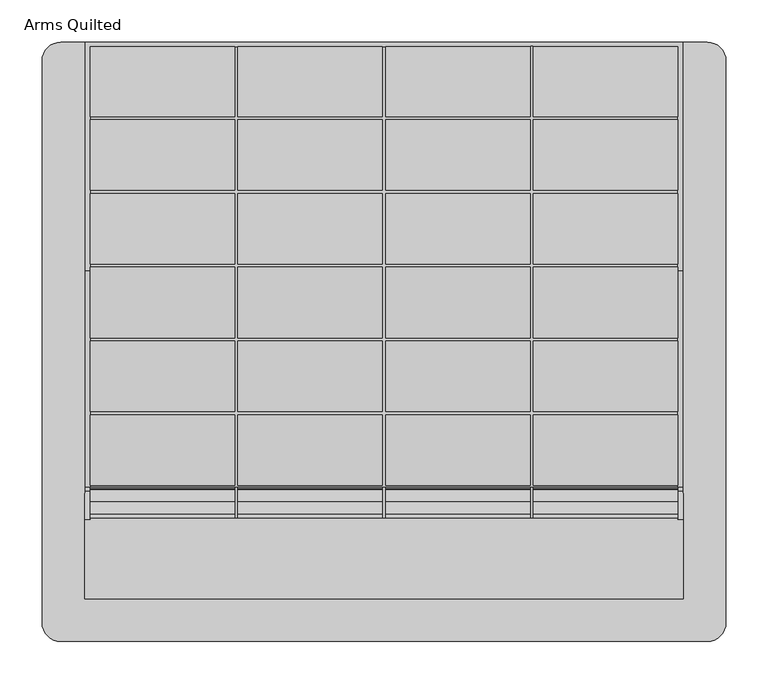
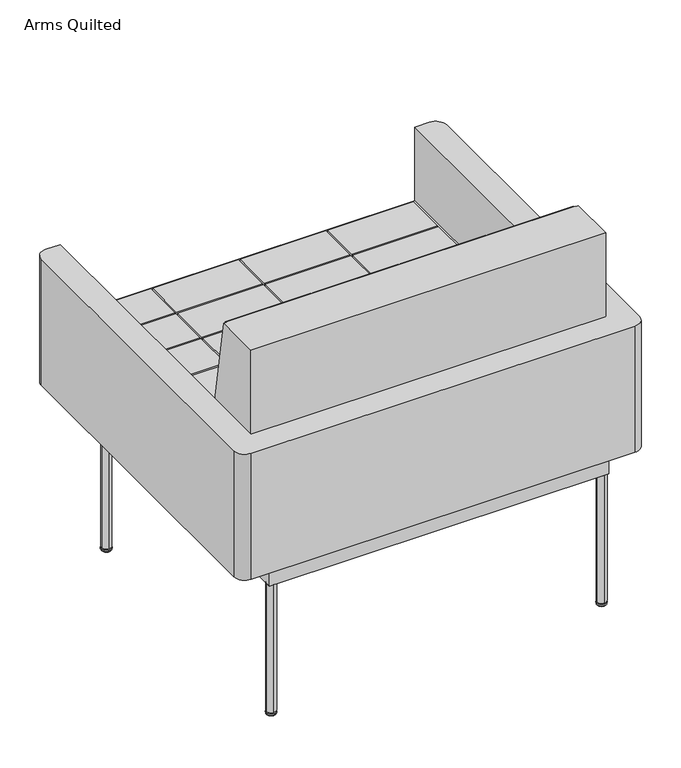
"""IFC4 building model written with IfcOpenShell, lengths in millimetres: furniture geometry, Arms Quilted."""

from ifc_helpers import new_model, si_unit, point, frame, frame_2d, origin, place, context, project, spatial, polyline, circle_curve, ellipse_curve, trimmed, segment, composite_curve, outline, extrude, faceted_brep, source, transform, mapped, element, save
from ifc_brep_helpers import plane_surface, revolved_surface, advanced_brep


def arms_quilted_26761083(model_context):
    return source(origin(), model_context, "Body", "SolidModel", [
        faceted_brep([(354.8683301, -172.790312, 357.1875), (354.8683301, -172.790312, 405.8269736), (354.8683301, -177.552038, 405.4116807), (354.8683301, -177.552038, 569.5185218), (354.8683301, -210.7940187, 761.4646402), (354.8683301, -305.047338, 761.4646402), (354.8683301, -305.047338, 357.1875), (-354.8683301, -305.047338, 761.4646402), (-354.8683301, -210.7940187, 761.4646402), (-354.8683301, -177.552038, 569.5185218), (-354.8683301, -177.552038, 405.4116807), (-354.8683301, -172.790312, 405.8269736), (-354.8683301, -172.790312, 357.1875), (-354.8683301, -305.047338, 357.1875), (1.905, -172.790312, 570.0407405), (1.905, -174.941666, 582.9299879), (173.355, -174.941666, 582.9299879), (173.355, -172.790312, 570.0407405), (-348.615, -190.2039855, 674.3699879), (-348.615, -204.1944449, 758.1899879), (-177.165, -204.1944449, 758.1899879), (-177.165, -190.2039855, 674.3699879), (-1.905, -204.1944449, 758.1899879), (-1.905, -190.2039855, 674.3699879), (-173.355, -190.2039855, 674.3699879), (-173.355, -204.1944449, 758.1899879), (173.355, -204.1944449, 758.1899879), (173.355, -190.2039855, 674.3699879), (1.905, -190.2039855, 674.3699879), (1.905, -204.1944449, 758.1899879), (348.615, -204.1944449, 758.1899879), (348.615, -190.2039855, 674.3699879), (177.165, -190.2039855, 674.3699879), (177.165, -204.1944449, 758.1899879), (-348.615, -175.577596, 586.7399879), (-348.615, -189.5680555, 670.5599879), (-177.165, -189.5680555, 670.5599879), (-177.165, -175.577596, 586.7399879), (-1.905, -189.5680555, 670.5599879), (-1.905, -175.577596, 586.7399879), (-173.355, -175.577596, 586.7399879), (-173.355, -189.5680555, 670.5599879), (173.355, -189.5680555, 670.5599879), (173.355, -175.577596, 586.7399879), (1.905, -175.577596, 586.7399879), (1.905, -189.5680555, 670.5599879), (348.615, -189.5680555, 670.5599879), (348.615, -175.577596, 586.7399879), (177.165, -175.577596, 586.7399879), (177.165, -189.5680555, 670.5599879), (-177.165, -174.941666, 582.9299879), (-177.165, -172.790312, 570.0407405), (-348.615, -172.790312, 570.0407405), (-348.615, -174.941666, 582.9299879), (348.615, -174.941666, 582.9299879), (348.615, -172.790312, 570.0407405), (177.165, -172.790312, 570.0407405), (177.165, -174.941666, 582.9299879), (-173.355, -172.790312, 570.0407405), (-173.355, -174.941666, 582.9299879), (-1.905, -174.941666, 582.9299879), (-1.905, -172.790312, 570.0407405), (-348.615, -172.790312, 405.8269736), (-348.615, -172.790312, 404.5204), (348.615, -172.790312, 404.5204), (348.615, -172.790312, 405.8269736), (173.355, -172.790312, 499.1099879), (1.905, -172.790312, 499.1099879), (-348.615, -172.790312, 499.1099879), (-177.165, -172.790312, 499.1099879), (177.165, -172.790312, 499.1099879), (348.615, -172.790312, 499.1099879), (-348.615, -172.790312, 411.4799879), (-348.615, -172.790312, 495.2999879), (-177.165, -172.790312, 495.2999879), (-177.165, -172.790312, 411.4799879), (-1.905, -172.790312, 495.2999879), (-1.905, -172.790312, 411.4799879), (-173.355, -172.790312, 411.4799879), (-173.355, -172.790312, 495.2999879), (173.355, -172.790312, 495.2999879), (173.355, -172.790312, 411.4799879), (1.905, -172.790312, 411.4799879), (1.905, -172.790312, 495.2999879), (348.615, -172.790312, 495.2999879), (348.615, -172.790312, 411.4799879), (177.165, -172.790312, 411.4799879), (177.165, -172.790312, 495.2999879), (-1.905, -172.790312, 499.1099879), (-173.355, -172.790312, 499.1099879), (348.615, -210.7940187, 761.4646402), (348.615, -209.797338, 761.4646402), (-348.615, -209.797338, 761.4646402), (-348.615, -210.7940187, 761.4646402), (-177.165, -209.797338, 674.3699879), (-177.165, -209.797338, 758.1899879), (-348.615, -209.797338, 758.1899879), (348.615, -209.797338, 758.1899879), (177.165, -209.797338, 758.1899879), (177.165, -209.797338, 674.3699879), (348.615, -209.797338, 674.3699879), (348.615, -209.797338, 670.5599879), (177.165, -209.797338, 670.5599879), (177.165, -209.797338, 586.7399879), (348.615, -209.797338, 586.7399879), (348.615, -209.797338, 582.9299879), (177.165, -209.797338, 582.9299879), (177.165, -209.797338, 499.1099879), (348.615, -209.797338, 499.1099879), (348.615, -209.797338, 495.2999879), (177.165, -209.797338, 495.2999879), (177.165, -209.797338, 411.4799879), (348.615, -209.797338, 411.4799879), (348.615, -209.797338, 404.5204), (-348.615, -209.797338, 404.5204), (-348.615, -209.797338, 411.4799879), (-177.165, -209.797338, 411.4799879), (-177.165, -209.797338, 495.2999879), (-348.615, -209.797338, 495.2999879), (-348.615, -209.797338, 499.1099879), (-177.165, -209.797338, 499.1099879), (-177.165, -209.797338, 582.9299879), (-348.615, -209.797338, 582.9299879), (-348.615, -209.797338, 586.7399879), (-177.165, -209.797338, 586.7399879), (-177.165, -209.797338, 670.5599879), (-348.615, -209.797338, 670.5599879), (-348.615, -209.797338, 674.3699879), (-173.355, -209.797338, 758.1899879), (-173.355, -209.797338, 674.3699879), (-1.905, -209.797338, 674.3699879), (-1.905, -209.797338, 758.1899879), (-173.355, -209.797338, 670.5599879), (-173.355, -209.797338, 586.7399879), (-1.905, -209.797338, 586.7399879), (-1.905, -209.797338, 670.5599879), (1.905, -209.797338, 670.5599879), (1.905, -209.797338, 586.7399879), (173.355, -209.797338, 586.7399879), (173.355, -209.797338, 670.5599879), (-173.355, -209.797338, 582.9299879), (-173.355, -209.797338, 499.1099879), (-1.905, -209.797338, 499.1099879), (-1.905, -209.797338, 582.9299879), (1.905, -209.797338, 582.9299879), (1.905, -209.797338, 499.1099879), (173.355, -209.797338, 499.1099879), (173.355, -209.797338, 582.9299879), (-173.355, -209.797338, 495.2999879), (-173.355, -209.797338, 411.4799879), (-1.905, -209.797338, 411.4799879), (-1.905, -209.797338, 495.2999879), (1.905, -209.797338, 495.2999879), (1.905, -209.797338, 411.4799879), (173.355, -209.797338, 411.4799879), (173.355, -209.797338, 495.2999879), (1.905, -209.797338, 674.3699879), (173.355, -209.797338, 674.3699879), (173.355, -209.797338, 758.1899879), (1.905, -209.797338, 758.1899879), (-348.615, -195.7106256, 674.3699879), (348.615, -195.7106256, 674.3699879), (-348.615, -180.534519, 586.7399879), (-348.615, -179.8746882, 582.9299879), (-348.615, -195.0507949, 670.5599879), (348.615, -195.0507949, 670.5599879), (348.615, -180.534519, 586.7399879), (348.615, -179.8746882, 582.9299879), (-348.615, -177.552038, 499.1099879), (-348.615, -177.552038, 495.2999879), (348.615, -177.552038, 499.1099879), (348.615, -177.552038, 495.2999879), (-348.615, -177.552038, 411.4799879), (-348.615, -177.552038, 405.4116807), (348.615, -177.552038, 411.4799879), (348.615, -177.552038, 405.4116807), (-348.615, -177.552038, 569.5185218), (348.615, -177.552038, 569.5185218)], [[[0, 1, 2, 3, 4, 5, 6]], [[7, 8, 9, 10, 11, 12, 13]], [[14, 15, 16, 17]], [[18, 19, 20, 21]], [[22, 23, 24, 25]], [[26, 27, 28, 29]], [[30, 31, 32, 33]], [[34, 35, 36, 37]], [[38, 39, 40, 41]], [[42, 43, 44, 45]], [[46, 47, 48, 49]], [[50, 51, 52, 53]], [[54, 55, 56, 57]], [[58, 59, 60, 61]], [[12, 11, 62, 63, 64, 65, 1, 0]], [[17, 66, 67, 14]], [[68, 52, 51, 69]], [[70, 56, 55, 71]], [[72, 73, 74, 75]], [[76, 77, 78, 79]], [[80, 81, 82, 83]], [[84, 85, 86, 87]], [[61, 88, 89, 58]], [[6, 13, 12, 0]], [[5, 7, 13, 6]], [[5, 4, 90, 91, 92, 93, 8, 7]], [[94, 95, 96, 92, 91, 97, 98, 99, 100, 101, 102, 103, 104, 105, 106, 107, 108, 109, 110, 111, 112, 113, 114, 115, 116, 117, 118, 119, 120, 121, 122, 123, 124, 125, 126, 127], [128, 129, 130, 131], [132, 133, 134, 135], [136, 137, 138, 139], [140, 141, 142, 143], [144, 145, 146, 147], [148, 149, 150, 151], [152, 153, 154, 155], [156, 157, 158, 159]], [[127, 160, 18, 21, 94]], [[95, 20, 19, 96]], [[94, 21, 20, 95]], [[131, 22, 25, 128]], [[129, 24, 23, 130]], [[128, 25, 24, 129]], [[158, 26, 29, 159]], [[157, 27, 26, 158]], [[156, 28, 27, 157]], [[97, 30, 33, 98]], [[99, 32, 31, 161, 100]], [[98, 33, 32, 99]], [[123, 162, 34, 37, 124]], [[122, 163, 162, 123]], [[125, 36, 35, 164, 126]], [[124, 37, 36, 125]], [[135, 38, 41, 132]], [[134, 39, 38, 135]], [[133, 40, 39, 134]], [[132, 41, 40, 133]], [[139, 42, 45, 136]], [[138, 43, 42, 139]], [[137, 44, 43, 138]], [[136, 45, 44, 137]], [[101, 165, 46, 49, 102]], [[104, 166, 167, 105]], [[103, 48, 47, 166, 104]], [[102, 49, 48, 103]], [[119, 168, 68, 69, 120]], [[118, 169, 168, 119]], [[121, 50, 53, 163, 122]], [[120, 69, 51, 50, 121]], [[143, 60, 59, 140]], [[142, 88, 61, 60, 143]], [[141, 89, 88, 142]], [[140, 59, 58, 89, 141]], [[147, 16, 15, 144]], [[146, 66, 17, 16, 147]], [[145, 67, 66, 146]], [[144, 15, 14, 67, 145]], [[105, 167, 54, 57, 106]], [[108, 170, 171, 109]], [[107, 70, 71, 170, 108]], [[106, 57, 56, 70, 107]], [[115, 172, 72, 75, 116]], [[114, 63, 62, 173, 172, 115]], [[117, 74, 73, 169, 118]], [[116, 75, 74, 117]], [[151, 76, 79, 148]], [[150, 77, 76, 151]], [[149, 78, 77, 150]], [[148, 79, 78, 149]], [[155, 80, 83, 152]], [[154, 81, 80, 155]], [[153, 82, 81, 154]], [[152, 83, 82, 153]], [[109, 171, 84, 87, 110]], [[112, 174, 175, 65, 64, 113]], [[111, 86, 85, 174, 112]], [[110, 87, 86, 111]], [[113, 64, 63, 114]], [[126, 164, 160, 127]], [[100, 161, 165, 101]], [[130, 23, 22, 131]], [[159, 29, 28, 156]], [[93, 92, 96, 19, 18, 160]], [[164, 35, 34, 162]], [[169, 73, 72, 172]], [[176, 163, 53, 52, 68, 168]], [[162, 163, 176, 9, 8, 93, 160, 164]], [[173, 62, 11, 10]], [[168, 169, 172, 173, 10, 9, 176]], [[161, 31, 30, 97, 91, 90]], [[166, 47, 46, 165]], [[174, 85, 84, 171]], [[177, 170, 71, 55, 54, 167]], [[167, 166, 165, 161, 90, 4, 3, 177]], [[177, 3, 2, 175, 174, 171, 170]], [[2, 1, 65, 175]]]),
        faceted_brep([(354.8683301, 355.847338, 357.1875), (354.8683301, 355.847338, 428.2705643), (354.8683301, 84.5466544, 428.2705643), (354.8683301, -172.790312, 405.8269736), (354.8683301, -172.790312, 357.1875), (-354.8683301, -172.790312, 357.1875), (-354.8683301, -172.790312, 405.8269736), (-354.8683301, 84.5466544, 428.2705643), (-354.8683301, 355.847338, 428.2705643), (-354.8683301, 355.847338, 357.1875), (348.615, -172.790312, 405.8269736), (348.615, -172.790312, 395.5542), (-348.615, -172.790312, 395.5542), (-348.615, -172.790312, 405.8269736), (-177.165, -86.747662, 415.9469708), (-348.615, -86.747662, 415.9469708), (-348.615, -170.567662, 408.6136794), (-177.165, -170.567662, 408.6136794), (-177.165, 0.882338, 423.6135936), (-348.615, 0.882338, 423.6135936), (-348.615, -82.937662, 416.2803022), (-177.165, -82.937662, 416.2803022), (-1.905, -82.937662, 416.2803022), (-1.905, 0.882338, 423.6135936), (-173.355, 0.882338, 423.6135936), (-173.355, -82.937662, 416.2803022), (173.355, -82.937662, 416.2803022), (173.355, 0.882338, 423.6135936), (1.905, 0.882338, 423.6135936), (1.905, -82.937662, 416.2803022), (348.615, -82.937662, 416.2803022), (348.615, 0.882338, 423.6135936), (177.165, 0.882338, 423.6135936), (177.165, -82.937662, 416.2803022), (-177.165, 88.512338, 431.2802164), (-348.615, 88.512338, 431.2802164), (-348.615, 4.692338, 423.946925), (-177.165, 4.692338, 423.946925), (-1.905, 4.692338, 423.946925), (-1.905, 88.512338, 431.2802164), (-173.355, 88.512338, 431.2802164), (-173.355, 4.692338, 423.946925), (173.355, 4.692338, 423.946925), (173.355, 88.512338, 431.2802164), (1.905, 88.512338, 431.2802164), (1.905, 4.692338, 423.946925), (348.615, 4.692338, 423.946925), (348.615, 88.512338, 431.2802164), (177.165, 88.512338, 431.2802164), (177.165, 4.692338, 423.946925), (-1.905, -170.567662, 408.6136794), (-1.905, -86.747662, 415.9469708), (-173.355, -86.747662, 415.9469708), (-173.355, -170.567662, 408.6136794), (173.355, -170.567662, 408.6136794), (173.355, -86.747662, 415.9469708), (1.905, -86.747662, 415.9469708), (1.905, -170.567662, 408.6136794), (348.615, -170.567662, 408.6136794), (348.615, -86.747662, 415.9469708), (177.165, -86.747662, 415.9469708), (177.165, -170.567662, 408.6136794), (-177.165, 176.142338, 431.3641497), (-348.615, 176.142338, 431.3641497), (-348.615, 92.322338, 431.3641497), (-177.165, 92.322338, 431.3641497), (-1.905, 92.322338, 431.3641497), (-1.905, 176.142338, 431.3641497), (-173.355, 176.142338, 431.3641497), (-173.355, 92.322338, 431.3641497), (173.355, 92.322338, 431.3641497), (173.355, 176.142338, 431.3641497), (1.905, 176.142338, 431.3641497), (1.905, 92.322338, 431.3641497), (348.615, 92.322338, 431.3641497), (348.615, 176.142338, 431.3641497), (177.165, 176.142338, 431.3641497), (177.165, 92.322338, 431.3641497), (-177.165, 263.772338, 431.3641497), (-348.615, 263.772338, 431.3641497), (-348.615, 179.952338, 431.3641497), (-177.165, 179.952338, 431.3641497), (-1.905, 179.952338, 431.3641497), (-1.905, 263.772338, 431.3641497), (-173.355, 263.772338, 431.3641497), (-173.355, 179.952338, 431.3641497), (173.355, 179.952338, 431.3641497), (173.355, 263.772338, 431.3641497), (1.905, 263.772338, 431.3641497), (1.905, 179.952338, 431.3641497), (348.615, 179.952338, 431.3641497), (348.615, 263.772338, 431.3641497), (177.165, 263.772338, 431.3641497), (177.165, 179.952338, 431.3641497), (-177.165, 350.449838, 431.3641497), (-348.615, 350.449838, 431.3641497), (-348.615, 267.582338, 431.3641497), (-177.165, 267.582338, 431.3641497), (-1.905, 267.582338, 431.3641497), (-1.905, 350.449838, 431.3641497), (-173.355, 350.449838, 431.3641497), (-173.355, 267.582338, 431.3641497), (173.355, 267.582338, 431.3641497), (173.355, 350.449838, 431.3641497), (1.905, 350.449838, 431.3641497), (1.905, 267.582338, 431.3641497), (348.615, 267.582338, 431.3641497), (348.615, 350.449838, 431.3641497), (177.165, 350.449838, 431.3641497), (177.165, 267.582338, 431.3641497), (-177.165, -170.567662, 395.5542), (-348.615, -170.567662, 395.5542), (348.615, -170.567662, 395.5542), (177.165, -170.567662, 395.5542), (177.165, -86.747662, 395.5542), (348.615, -86.747662, 395.5542), (348.615, -82.937662, 395.5542), (177.165, -82.937662, 395.5542), (177.165, 0.882338, 395.5542), (348.615, 0.882338, 395.5542), (348.615, 4.692338, 395.5542), (177.165, 4.692338, 395.5542), (177.165, 88.512338, 395.5542), (348.615, 88.512338, 395.5542), (348.615, 92.322338, 395.5542), (177.165, 92.322338, 395.5542), (177.165, 176.142338, 395.5542), (348.615, 176.142338, 395.5542), (348.615, 179.952338, 395.5542), (177.165, 179.952338, 395.5542), (177.165, 263.772338, 395.5542), (348.615, 263.772338, 395.5542), (348.615, 267.582338, 395.5542), (177.165, 267.582338, 395.5542), (177.165, 351.402338, 395.5542), (173.355, 351.402338, 395.5542), (173.355, 267.582338, 395.5542), (1.905, 267.582338, 395.5542), (1.905, 350.449838, 395.5542), (-1.905, 350.449838, 395.5542), (-1.905, 267.582338, 395.5542), (-173.355, 267.582338, 395.5542), (-173.355, 350.449838, 395.5542), (-177.165, 350.449838, 395.5542), (-177.165, 267.582338, 395.5542), (-348.615, 267.582338, 395.5542), (-348.615, 263.772338, 395.5542), (-177.165, 263.772338, 395.5542), (-177.165, 179.952338, 395.5542), (-348.615, 179.952338, 395.5542), (-348.615, 176.142338, 395.5542), (-177.165, 176.142338, 395.5542), (-177.165, 92.322338, 395.5542), (-348.615, 92.322338, 395.5542), (-348.615, 88.512338, 395.5542), (-177.165, 88.512338, 395.5542), (-177.165, 4.692338, 395.5542), (-348.615, 4.692338, 395.5542), (-348.615, 0.882338, 395.5542), (-177.165, 0.882338, 395.5542), (-177.165, -82.937662, 395.5542), (-348.615, -82.937662, 395.5542), (-348.615, -86.747662, 395.5542), (-177.165, -86.747662, 395.5542), (-173.355, -170.567662, 395.5542), (-173.355, -86.747662, 395.5542), (-1.905, -86.747662, 395.5542), (-1.905, -170.567662, 395.5542), (1.905, -170.567662, 395.5542), (1.905, -86.747662, 395.5542), (173.355, -86.747662, 395.5542), (173.355, -170.567662, 395.5542), (-173.355, -82.937662, 395.5542), (-173.355, 0.882338, 395.5542), (-1.905, 0.882338, 395.5542), (-1.905, -82.937662, 395.5542), (1.905, -82.937662, 395.5542), (1.905, 0.882338, 395.5542), (173.355, 0.882338, 395.5542), (173.355, -82.937662, 395.5542), (-173.355, 4.692338, 395.5542), (-173.355, 88.512338, 395.5542), (-1.905, 88.512338, 395.5542), (-1.905, 4.692338, 395.5542), (1.905, 4.692338, 395.5542), (1.905, 88.512338, 395.5542), (173.355, 88.512338, 395.5542), (173.355, 4.692338, 395.5542), (-173.355, 92.322338, 395.5542), (-173.355, 176.142338, 395.5542), (-1.905, 176.142338, 395.5542), (-1.905, 92.322338, 395.5542), (1.905, 92.322338, 395.5542), (1.905, 176.142338, 395.5542), (173.355, 176.142338, 395.5542), (173.355, 92.322338, 395.5542), (-173.355, 179.952338, 395.5542), (-173.355, 263.772338, 395.5542), (-1.905, 263.772338, 395.5542), (-1.905, 179.952338, 395.5542), (1.905, 179.952338, 395.5542), (1.905, 263.772338, 395.5542), (173.355, 263.772338, 395.5542), (173.355, 179.952338, 395.5542), (-348.615, -86.747662, 413.3311657), (-348.615, -82.937662, 413.663454), (-348.615, -170.567662, 406.0208216), (348.615, -170.567662, 406.0208216), (348.615, -86.747662, 413.3311657), (-348.615, 0.882338, 420.9737981), (-348.615, 4.692338, 421.3060865), (348.615, -82.937662, 413.663454), (348.615, 0.882338, 420.9737981), (-348.615, 88.512338, 428.2705643), (-348.615, 92.322338, 428.2705643), (348.615, 4.692338, 421.3060865), (348.615, 88.512338, 428.2705643), (-348.615, 176.142338, 428.2705643), (-348.615, 179.952338, 428.2705643), (348.615, 92.322338, 428.2705643), (348.615, 176.142338, 428.2705643), (-348.615, 263.772338, 428.2705643), (-348.615, 267.582338, 428.2705643), (348.615, 179.952338, 428.2705643), (348.615, 263.772338, 428.2705643), (-177.165, 350.449838, 428.2705643), (-173.355, 350.449838, 428.2705643), (-1.905, 350.449838, 428.2705643), (1.905, 350.449838, 428.2705643), (173.355, 351.402338, 428.2705643), (173.355, 350.449838, 428.2705643), (177.165, 351.402338, 428.2705643), (348.615, 267.582338, 428.2705643), (177.165, 350.449838, 428.2705643), (-348.615, 350.449838, 428.2705643), (-348.615, 84.5466544, 428.2705643), (348.615, 350.449838, 428.2705643), (348.615, 84.5466544, 428.2705643)], [[[0, 1, 2, 3, 4]], [[5, 6, 7, 8, 9]], [[9, 8, 1, 0]], [[4, 5, 9, 0]], [[4, 3, 10, 11, 12, 13, 6, 5]], [[14, 15, 16, 17]], [[18, 19, 20, 21]], [[22, 23, 24, 25]], [[26, 27, 28, 29]], [[30, 31, 32, 33]], [[34, 35, 36, 37]], [[38, 39, 40, 41]], [[42, 43, 44, 45]], [[46, 47, 48, 49]], [[50, 51, 52, 53]], [[54, 55, 56, 57]], [[58, 59, 60, 61]], [[62, 63, 64, 65]], [[66, 67, 68, 69]], [[70, 71, 72, 73]], [[74, 75, 76, 77]], [[78, 79, 80, 81]], [[82, 83, 84, 85]], [[86, 87, 88, 89]], [[90, 91, 92, 93]], [[94, 95, 96, 97]], [[98, 99, 100, 101]], [[102, 103, 104, 105]], [[106, 107, 108, 109]], [[110, 111, 12, 11, 112, 113, 114, 115, 116, 117, 118, 119, 120, 121, 122, 123, 124, 125, 126, 127, 128, 129, 130, 131, 132, 133, 134, 135, 136, 137, 138, 139, 140, 141, 142, 143, 144, 145, 146, 147, 148, 149, 150, 151, 152, 153, 154, 155, 156, 157, 158, 159, 160, 161, 162, 163], [164, 165, 166, 167], [168, 169, 170, 171], [172, 173, 174, 175], [176, 177, 178, 179], [180, 181, 182, 183], [184, 185, 186, 187], [188, 189, 190, 191], [192, 193, 194, 195], [196, 197, 198, 199], [200, 201, 202, 203]], [[163, 14, 17, 110]], [[162, 204, 15, 14, 163]], [[161, 205, 204, 162]], [[110, 17, 16, 206, 111]], [[167, 50, 53, 164]], [[166, 51, 50, 167]], [[165, 52, 51, 166]], [[164, 53, 52, 165]], [[171, 54, 57, 168]], [[170, 55, 54, 171]], [[169, 56, 55, 170]], [[168, 57, 56, 169]], [[112, 207, 58, 61, 113]], [[114, 60, 59, 208, 115]], [[113, 61, 60, 114]], [[159, 18, 21, 160]], [[158, 209, 19, 18, 159]], [[157, 210, 209, 158]], [[160, 21, 20, 205, 161]], [[175, 22, 25, 172]], [[174, 23, 22, 175]], [[173, 24, 23, 174]], [[172, 25, 24, 173]], [[179, 26, 29, 176]], [[178, 27, 26, 179]], [[177, 28, 27, 178]], [[176, 29, 28, 177]], [[116, 211, 30, 33, 117]], [[118, 32, 31, 212, 119]], [[117, 33, 32, 118]], [[155, 34, 37, 156]], [[154, 213, 35, 34, 155]], [[153, 214, 213, 154]], [[156, 37, 36, 210, 157]], [[183, 38, 41, 180]], [[182, 39, 38, 183]], [[181, 40, 39, 182]], [[180, 41, 40, 181]], [[187, 42, 45, 184]], [[186, 43, 42, 187]], [[185, 44, 43, 186]], [[184, 45, 44, 185]], [[120, 215, 46, 49, 121]], [[122, 48, 47, 216, 123]], [[121, 49, 48, 122]], [[151, 62, 65, 152]], [[150, 217, 63, 62, 151]], [[149, 218, 217, 150]], [[152, 65, 64, 214, 153]], [[191, 66, 69, 188]], [[190, 67, 66, 191]], [[189, 68, 67, 190]], [[188, 69, 68, 189]], [[195, 70, 73, 192]], [[194, 71, 70, 195]], [[193, 72, 71, 194]], [[192, 73, 72, 193]], [[124, 219, 74, 77, 125]], [[126, 76, 75, 220, 127]], [[125, 77, 76, 126]], [[147, 78, 81, 148]], [[146, 221, 79, 78, 147]], [[145, 222, 221, 146]], [[148, 81, 80, 218, 149]], [[199, 82, 85, 196]], [[198, 83, 82, 199]], [[197, 84, 83, 198]], [[196, 85, 84, 197]], [[203, 86, 89, 200]], [[202, 87, 86, 203]], [[201, 88, 87, 202]], [[200, 89, 88, 201]], [[128, 223, 90, 93, 129]], [[130, 92, 91, 224, 131]], [[129, 93, 92, 130]], [[143, 225, 94, 97, 144]], [[142, 226, 225, 143]], [[144, 97, 96, 222, 145]], [[140, 98, 101, 141]], [[139, 227, 99, 98, 140]], [[138, 228, 227, 139]], [[141, 101, 100, 226, 142]], [[136, 102, 105, 137]], [[135, 229, 230, 103, 102, 136]], [[134, 231, 229, 135]], [[137, 105, 104, 228, 138]], [[132, 232, 106, 109, 133]], [[133, 109, 108, 233, 231, 134]], [[111, 206, 13, 12]], [[131, 224, 232, 132]], [[127, 220, 223, 128]], [[123, 216, 219, 124]], [[119, 212, 215, 120]], [[115, 208, 211, 116]], [[96, 95, 234, 222]], [[206, 16, 15, 204]], [[205, 20, 19, 209]], [[214, 64, 63, 217]], [[218, 80, 79, 221]], [[235, 210, 36, 35, 213]], [[213, 214, 217, 218, 221, 222, 234, 225, 226, 227, 228, 230, 229, 231, 233, 236, 232, 224, 223, 220, 219, 216, 237, 2, 1, 8, 7, 235]], [[204, 205, 209, 210, 235, 7, 6, 13, 206]], [[208, 59, 58, 207]], [[212, 31, 30, 211]], [[216, 47, 46, 215, 237]], [[220, 75, 74, 219]], [[224, 91, 90, 223]], [[232, 236, 107, 106]], [[215, 212, 211, 208, 207, 10, 3, 2, 237]], [[226, 100, 99, 227]], [[228, 104, 103, 230]], [[233, 108, 107, 236]], [[234, 95, 94, 225]], [[11, 10, 207, 112]]]),
        advanced_brep(
        [(-326.9326911, 239.6951247, 0.0), (-330.7158741, 239.6951247, 0.0), (-334.4990571, 239.6951247, 0.0), (-321.1908741, 239.6951247, 3.1750001), (-340.2408741, 239.6951247, 3.1750001), (-321.0604279, 239.6951247, 6.4931848), (-340.3713203, 239.6951247, 6.4931848), (-326.5659995, 239.6951247, 9.5049434), (-334.8657488, 239.6951247, 9.5049434), (-330.7158741, 239.6951247, 9.5049435)],
        [
            (0, 1),
            (1, 2),
            (2, 0, circle_curve(frame((-330.7158741, 239.6951247, 0.0), z_axis=(0.0, 0.0, -1.0), x_axis=(-1.0, 0.0, 0.0)), 3.783183)),
            (0, 2, circle_curve(frame((-330.7158741, 239.6951247, 0.0), z_axis=(0.0, 0.0, -1.0), x_axis=(-1.0, 0.0, 0.0)), 3.783183)),
            (3, 0, circle_curve(frame((-326.9326911, 239.6951247, 6.7793838), z_axis=(0.0, 1.0, 0.0), x_axis=(1.0, 0.0, 0.0)), 6.7793838)),
            (2, 4, circle_curve(frame((-334.4990571, 239.6951247, 6.7793838), z_axis=(0.0, 1.0, 0.0), x_axis=(-1.0, 0.0, 0.0)), 6.7793838)),
            (4, 3, circle_curve(frame((-330.7158741, 239.6951247, 3.1750001), z_axis=(0.0, 0.0, -1.0), x_axis=(-1.0, 0.0, 0.0)), 9.525)),
            (3, 4, circle_curve(frame((-330.7158741, 239.6951247, 3.1750001), z_axis=(0.0, 0.0, -1.0), x_axis=(-1.0, 0.0, 0.0)), 9.525)),
            (5, 3),
            (4, 6),
            (6, 5, circle_curve(frame((-330.7158741, 239.6951247, 6.4931848), z_axis=(0.0, 0.0, -1.0), x_axis=(-1.0, 0.0, 0.0)), 9.6554462)),
            (5, 6, circle_curve(frame((-330.7158741, 239.6951247, 6.4931848), z_axis=(0.0, 0.0, -1.0), x_axis=(-1.0, 0.0, 0.0)), 9.6554462)),
            (7, 5, circle_curve(frame((-326.5659995, 239.6951247, 2.9669016), z_axis=(0.0, 1.0, 0.0), x_axis=(1.0, 0.0, 0.0)), 6.5380418)),
            (6, 8, circle_curve(frame((-334.8657488, 239.6951247, 2.9669016), z_axis=(0.0, 1.0, 0.0), x_axis=(-1.0, 0.0, 0.0)), 6.5380418)),
            (8, 7, circle_curve(frame((-330.7158741, 239.6951247, 9.5049434), z_axis=(0.0, 0.0, -1.0), x_axis=(-1.0, 0.0, 0.0)), 4.1498747)),
            (7, 8, circle_curve(frame((-330.7158741, 239.6951247, 9.5049434), z_axis=(0.0, 0.0, -1.0), x_axis=(-1.0, 0.0, 0.0)), 4.1498747)),
            (9, 7),
            (8, 9),
        ],
        [
            plane_surface(frame((-330.7158741, 239.6951247, 0.0), z_axis=(0.0, 0.0, -1.0), x_axis=(-1.0, 0.0, 0.0))),
            revolved_surface(trimmed(ellipse_curve(frame((-334.4990571, 239.6951247, 6.7793838), z_axis=(0.0, 1.0, 0.0), x_axis=(-1.0, 0.0, 0.0)), 6.7793838, 6.7793838), [point((-334.4990571, 239.6951247, 0.0))], [point((-340.2408741, 239.6951247, 3.1750001))], True, "CARTESIAN"), (-330.7158741, 239.6951247, 2.4865786), (0.0, 0.0, 1.0)),
            revolved_surface(polyline([(-340.2408741, 239.6951247, 3.1750001), (-340.3713203, 239.6951247, 6.4931848)]), (-330.7158741, 239.6951247, 2.4865786), (0.0, 0.0, 1.0)),
            revolved_surface(trimmed(ellipse_curve(frame((-334.8657488, 239.6951247, 2.9669016), z_axis=(0.0, 1.0, 0.0), x_axis=(-1.0, 0.0, 0.0)), 6.5380418, 6.5380418), [point((-340.3713203, 239.6951247, 6.4931848))], [point((-334.8657488, 239.6951247, 9.5049434))], True, "CARTESIAN"), (-330.7158741, 239.6951247, 2.4865786), (0.0, 0.0, 1.0)),
            plane_surface(frame((-330.7158741, 239.6951247, 9.5049435), z_axis=(0.0, 0.0, 1.0), x_axis=(-1.0, 0.0, 0.0))),
        ],
        [
            (0, [[1, 2, 3]]),
            (0, [[-2, -1, 4]]),
            (1, [[5, -3, 6, 7]]),
            (1, [[-6, -4, -5, 8]]),
            (2, [[9, -7, 10, 11]]),
            (2, [[-10, -8, -9, 12]]),
            (3, [[13, -11, 14, 15]]),
            (3, [[-14, -12, -13, 16]]),
            (4, [[17, -15, 18]]),
            (4, [[-18, -16, -17]]),
        ],
    ),
        advanced_brep(
        [(-330.7158741, -332.5700088, 0.0), (-326.9326911, -332.5700088, 0.0), (-334.4990571, -332.5700088, 0.0), (-321.1908741, -332.5700088, 3.1750001), (-340.2408741, -332.5700088, 3.1750001), (-321.0604279, -332.5700088, 6.4931848), (-340.3713203, -332.5700088, 6.4931848), (-326.5659995, -332.5700088, 9.5049435), (-334.8657488, -332.5700088, 9.5049435), (-330.7158741, -332.5700088, 9.5049435)],
        [
            (0, 1),
            (1, 2, circle_curve(frame((-330.7158741, -332.5700088, 0.0), z_axis=(0.0, 0.0, -1.0), x_axis=(-1.0, 0.0, 0.0)), 3.783183)),
            (2, 0),
            (2, 1, circle_curve(frame((-330.7158741, -332.5700088, 0.0), z_axis=(0.0, 0.0, -1.0), x_axis=(-1.0, 0.0, 0.0)), 3.783183)),
            (1, 3, circle_curve(frame((-326.9326911, -332.5700088, 6.7793838), z_axis=(0.0, -1.0, 0.0), x_axis=(1.0, 0.0, 0.0)), 6.7793838)),
            (3, 4, circle_curve(frame((-330.7158741, -332.5700088, 3.1750001), z_axis=(0.0, 0.0, -1.0), x_axis=(-1.0, 0.0, 0.0)), 9.525)),
            (4, 2, circle_curve(frame((-334.4990571, -332.5700088, 6.7793838), z_axis=(0.0, -1.0, 0.0), x_axis=(-1.0, 0.0, 0.0)), 6.7793838)),
            (4, 3, circle_curve(frame((-330.7158741, -332.5700088, 3.1750001), z_axis=(0.0, 0.0, -1.0), x_axis=(-1.0, 0.0, 0.0)), 9.525)),
            (3, 5),
            (5, 6, circle_curve(frame((-330.7158741, -332.5700088, 6.4931848), z_axis=(0.0, 0.0, -1.0), x_axis=(-1.0, 0.0, 0.0)), 9.6554462)),
            (6, 4),
            (6, 5, circle_curve(frame((-330.7158741, -332.5700088, 6.4931848), z_axis=(0.0, 0.0, -1.0), x_axis=(-1.0, 0.0, 0.0)), 9.6554462)),
            (5, 7, circle_curve(frame((-326.5659995, -332.5700088, 2.9669016), z_axis=(0.0, -1.0, 0.0), x_axis=(1.0, 0.0, 0.0)), 6.5380418)),
            (7, 8, circle_curve(frame((-330.7158741, -332.5700088, 9.5049435), z_axis=(0.0, 0.0, -1.0), x_axis=(-1.0, 0.0, 0.0)), 4.1498747)),
            (8, 6, circle_curve(frame((-334.8657488, -332.5700088, 2.9669016), z_axis=(0.0, -1.0, 0.0), x_axis=(-1.0, 0.0, 0.0)), 6.5380418)),
            (8, 7, circle_curve(frame((-330.7158741, -332.5700088, 9.5049435), z_axis=(0.0, 0.0, -1.0), x_axis=(-1.0, 0.0, 0.0)), 4.1498747)),
            (7, 9),
            (9, 8),
        ],
        [
            plane_surface(frame((-330.7158741, -332.5700088, 0.0), z_axis=(0.0, 0.0, -1.0), x_axis=(-1.0, 0.0, 0.0))),
            revolved_surface(trimmed(ellipse_curve(frame((-334.4990571, -332.5700088, 6.7793838), z_axis=(0.0, -1.0, 0.0), x_axis=(-1.0, 0.0, 0.0)), 6.7793838, 6.7793838), [point((-340.2408741, -332.5700088, 3.1750001))], [point((-334.4990571, -332.5700088, 0.0))], True, "CARTESIAN"), (-330.7158741, -332.5700088, 2.4865786), (0.0, 0.0, -1.0)),
            revolved_surface(polyline([(-340.3713203, -332.5700088, 6.4931848), (-340.2408741, -332.5700088, 3.1750001)]), (-330.7158741, -332.5700088, 2.4865786), (0.0, 0.0, -1.0)),
            revolved_surface(trimmed(ellipse_curve(frame((-334.8657488, -332.5700088, 2.9669016), z_axis=(0.0, -1.0, 0.0), x_axis=(-1.0, 0.0, 0.0)), 6.5380418, 6.5380418), [point((-334.8657488, -332.5700088, 9.5049435))], [point((-340.3713203, -332.5700088, 6.4931848))], True, "CARTESIAN"), (-330.7158741, -332.5700088, 2.4865786), (0.0, 0.0, -1.0)),
            plane_surface(frame((-330.7158741, -332.5700088, 9.5049435), z_axis=(0.0, 0.0, 1.0), x_axis=(-1.0, 0.0, 0.0))),
        ],
        [
            (0, [[1, 2, 3]]),
            (0, [[-3, 4, -1]]),
            (1, [[5, 6, 7, -2]]),
            (1, [[-7, 8, -5, -4]]),
            (2, [[9, 10, 11, -6]]),
            (2, [[-11, 12, -9, -8]]),
            (3, [[13, 14, 15, -10]]),
            (3, [[-15, 16, -13, -12]]),
            (4, [[17, 18, -14]]),
            (4, [[-18, -17, -16]]),
        ],
    ),
        extrude(outline(composite_curve([segment(polyline([(-405.6683301, -333.876338), (-405.6683301, 333.876338)]), True, "CONTINUOUS"), segment(trimmed(circle_curve(frame_2d((-383.6973301, 333.876338)), 21.971), [point((-405.6683301, 333.876338))], [point((-383.6973301, 355.847338))], False, "CARTESIAN"), True, "CONTINUOUS"), segment(polyline([(-383.6973301, 355.847338), (-354.8683301, 355.847338), (-354.8683301, -305.047338), (354.8683301, -305.047338), (354.8683301, 355.847338), (383.7017262, 355.847338)]), True, "CONTINUOUS"), segment(trimmed(circle_curve(frame_2d((383.7017262, 333.880734)), 21.966604), [point((383.7017262, 355.847338))], [point((405.6683301, 333.880734))], False, "CARTESIAN"), True, "CONTINUOUS"), segment(polyline([(405.6683301, 333.880734), (405.6683301, -333.876338)]), True, "CONTINUOUS"), segment(trimmed(circle_curve(frame_2d((383.6973301, -333.876338)), 21.971), [point((405.6683301, -333.876338))], [point((383.6973301, -355.847338))], False, "CARTESIAN"), True, "CONTINUOUS"), segment(polyline([(383.6973301, -355.847338), (-383.6973301, -355.847338)]), True, "CONTINUOUS"), segment(trimmed(circle_curve(frame_2d((-383.6973301, -333.876338)), 21.971), [point((-383.6973301, -355.847338))], [point((-405.6683301, -333.876338))], False, "CARTESIAN"), True, "CONTINUOUS")], self_intersect=False)), frame((0.0, 0.0, 317.4993339), z_axis=(0.0, 0.0, 1.0), x_axis=(1.0, 0.0, 0.0)), (0.0, 0.0, 1.0), 266.700654),
        extrude(outline(composite_curve([segment(trimmed(circle_curve(frame_2d((-330.5455732, -332.8903279)), 9.525), [point((-340.0705732, -332.8903279))], [point((-330.5455732, -323.3653279))], False, "CARTESIAN"), True, "CONTINUOUS"), segment(trimmed(circle_curve(frame_2d((-330.5455732, -332.8903279)), 9.525), [point((-330.5455732, -323.3653279))], [point((-321.0205732, -332.8903279))], False, "CARTESIAN"), True, "CONTINUOUS"), segment(trimmed(circle_curve(frame_2d((-330.5455732, -332.8903279)), 9.525), [point((-321.0205732, -332.8903279))], [point((-330.5455732, -342.4153279))], False, "CARTESIAN"), True, "CONTINUOUS"), segment(trimmed(circle_curve(frame_2d((-330.5455732, -332.8903279)), 9.525), [point((-330.5455732, -342.4153279))], [point((-340.0705732, -332.8903279))], False, "CARTESIAN"), True, "CONTINUOUS")], self_intersect=False)), frame((0.0, 0.0, 9.525), z_axis=(0.0, 0.0, 1.0), x_axis=(1.0, 0.0, 0.0)), (0.0, 0.0, 1.0), 269.8750061),
        extrude(outline(composite_curve([segment(trimmed(circle_curve(frame_2d((-330.4468312, 238.7745677)), 9.525), [point((-339.9718312, 238.7745677))], [point((-330.4468312, 248.2995677))], False, "CARTESIAN"), True, "CONTINUOUS"), segment(trimmed(circle_curve(frame_2d((-330.4468312, 238.7745677)), 9.525), [point((-330.4468312, 248.2995677))], [point((-320.9218312, 238.7745677))], False, "CARTESIAN"), True, "CONTINUOUS"), segment(trimmed(circle_curve(frame_2d((-330.4468312, 238.7745677)), 9.525), [point((-320.9218312, 238.7745677))], [point((-330.4468312, 229.2495677))], False, "CARTESIAN"), True, "CONTINUOUS"), segment(trimmed(circle_curve(frame_2d((-330.4468312, 238.7745677)), 9.525), [point((-330.4468312, 229.2495677))], [point((-339.9718312, 238.7745677))], False, "CARTESIAN"), True, "CONTINUOUS")], self_intersect=False)), frame((0.0, 0.0, 9.525), z_axis=(0.0, 0.0, 1.0), x_axis=(1.0, 0.0, 0.0)), (0.0, 0.0, 1.0), 269.8750061),
        advanced_brep(
        [(-326.4581339, 238.459695, 0.0), (-330.2413168, 238.459695, 0.0), (-334.0244998, 238.459695, 0.0), (-320.7163168, 238.459695, 3.1750001), (-339.7663168, 238.459695, 3.1750001), (-320.5858706, 238.459695, 6.4931848), (-339.896763, 238.459695, 6.4931848), (-326.0914422, 238.459695, 9.5049435), (-334.3911915, 238.459695, 9.5049435), (-330.2413168, 238.459695, 9.5049435)],
        [
            (0, 1),
            (1, 2),
            (2, 0, circle_curve(frame((-330.2413168, 238.459695, 0.0), z_axis=(0.0, 0.0, -1.0), x_axis=(-1.0, 0.0, 0.0)), 3.783183)),
            (0, 2, circle_curve(frame((-330.2413168, 238.459695, 0.0), z_axis=(0.0, 0.0, -1.0), x_axis=(-1.0, 0.0, 0.0)), 3.783183)),
            (3, 0, circle_curve(frame((-326.4581339, 238.459695, 6.7793838), z_axis=(0.0, 1.0, 0.0), x_axis=(1.0, 0.0, 0.0)), 6.7793838)),
            (2, 4, circle_curve(frame((-334.0244998, 238.459695, 6.7793838), z_axis=(0.0, 1.0, 0.0), x_axis=(-1.0, 0.0, 0.0)), 6.7793838)),
            (4, 3, circle_curve(frame((-330.2413168, 238.459695, 3.1750001), z_axis=(0.0, 0.0, -1.0), x_axis=(-1.0, 0.0, 0.0)), 9.525)),
            (3, 4, circle_curve(frame((-330.2413168, 238.459695, 3.1750001), z_axis=(0.0, 0.0, -1.0), x_axis=(-1.0, 0.0, 0.0)), 9.525)),
            (5, 3),
            (4, 6),
            (6, 5, circle_curve(frame((-330.2413168, 238.459695, 6.4931848), z_axis=(0.0, 0.0, -1.0), x_axis=(-1.0, 0.0, 0.0)), 9.6554462)),
            (5, 6, circle_curve(frame((-330.2413168, 238.459695, 6.4931848), z_axis=(0.0, 0.0, -1.0), x_axis=(-1.0, 0.0, 0.0)), 9.6554462)),
            (7, 5, circle_curve(frame((-326.0914422, 238.459695, 2.9669016), z_axis=(0.0, 1.0, 0.0), x_axis=(1.0, 0.0, 0.0)), 6.5380418)),
            (6, 8, circle_curve(frame((-334.3911915, 238.459695, 2.9669016), z_axis=(0.0, 1.0, 0.0), x_axis=(-1.0, 0.0, 0.0)), 6.5380418)),
            (8, 7, circle_curve(frame((-330.2413168, 238.459695, 9.5049435), z_axis=(0.0, 0.0, -1.0), x_axis=(-1.0, 0.0, 0.0)), 4.1498747)),
            (7, 8, circle_curve(frame((-330.2413168, 238.459695, 9.5049435), z_axis=(0.0, 0.0, -1.0), x_axis=(-1.0, 0.0, 0.0)), 4.1498747)),
            (9, 7),
            (8, 9),
        ],
        [
            plane_surface(frame((-330.2413168, 238.459695, 0.0), z_axis=(0.0, 0.0, -1.0), x_axis=(-1.0, 0.0, 0.0))),
            revolved_surface(trimmed(ellipse_curve(frame((-334.0244998, 238.459695, 6.7793838), z_axis=(0.0, 1.0, 0.0), x_axis=(-1.0, 0.0, 0.0)), 6.7793838, 6.7793838), [point((-334.0244998, 238.459695, 0.0))], [point((-339.7663168, 238.459695, 3.1750001))], True, "CARTESIAN"), (-330.2413168, 238.459695, 2.4865786), (0.0, 0.0, 1.0)),
            revolved_surface(polyline([(-339.7663168, 238.459695, 3.1750001), (-339.896763, 238.459695, 6.4931848)]), (-330.2413168, 238.459695, 2.4865786), (0.0, 0.0, 1.0)),
            revolved_surface(trimmed(ellipse_curve(frame((-334.3911915, 238.459695, 2.9669016), z_axis=(0.0, 1.0, 0.0), x_axis=(-1.0, 0.0, 0.0)), 6.5380418, 6.5380418), [point((-339.896763, 238.459695, 6.4931848))], [point((-334.3911915, 238.459695, 9.5049435))], True, "CARTESIAN"), (-330.2413168, 238.459695, 2.4865786), (0.0, 0.0, 1.0)),
            plane_surface(frame((-330.2413168, 238.459695, 9.5049435), z_axis=(0.0, 0.0, 1.0), x_axis=(-1.0, 0.0, 0.0))),
        ],
        [
            (0, [[1, 2, 3]]),
            (0, [[-2, -1, 4]]),
            (1, [[5, -3, 6, 7]]),
            (1, [[-6, -4, -5, 8]]),
            (2, [[9, -7, 10, 11]]),
            (2, [[-10, -8, -9, 12]]),
            (3, [[13, -11, 14, 15]]),
            (3, [[-14, -12, -13, 16]]),
            (4, [[17, -15, 18]]),
            (4, [[-18, -16, -17]]),
        ],
    ),
        advanced_brep(
        [(-330.549346, -332.7425888, 0.0), (-326.7661631, -332.7425888, 0.0), (-334.332529, -332.7425888, 0.0), (-321.024346, -332.7425888, 3.1750001), (-340.074346, -332.7425888, 3.1750001), (-320.8938998, -332.7425888, 6.4931848), (-340.2047922, -332.7425888, 6.4931848), (-326.3994714, -332.7425888, 9.5049434), (-334.6992207, -332.7425888, 9.5049434), (-330.549346, -332.7425888, 9.5049435)],
        [
            (0, 1),
            (1, 2, circle_curve(frame((-330.549346, -332.7425888, 0.0), z_axis=(0.0, 0.0, -1.0), x_axis=(-1.0, 0.0, 0.0)), 3.783183)),
            (2, 0),
            (2, 1, circle_curve(frame((-330.549346, -332.7425888, 0.0), z_axis=(0.0, 0.0, -1.0), x_axis=(-1.0, 0.0, 0.0)), 3.783183)),
            (1, 3, circle_curve(frame((-326.7661631, -332.7425888, 6.7793838), z_axis=(0.0, -1.0, 0.0), x_axis=(1.0, 0.0, 0.0)), 6.7793838)),
            (3, 4, circle_curve(frame((-330.549346, -332.7425888, 3.1750001), z_axis=(0.0, 0.0, -1.0), x_axis=(-1.0, 0.0, 0.0)), 9.525)),
            (4, 2, circle_curve(frame((-334.332529, -332.7425888, 6.7793838), z_axis=(0.0, -1.0, 0.0), x_axis=(-1.0, 0.0, 0.0)), 6.7793838)),
            (4, 3, circle_curve(frame((-330.549346, -332.7425888, 3.1750001), z_axis=(0.0, 0.0, -1.0), x_axis=(-1.0, 0.0, 0.0)), 9.525)),
            (3, 5),
            (5, 6, circle_curve(frame((-330.549346, -332.7425888, 6.4931848), z_axis=(0.0, 0.0, -1.0), x_axis=(-1.0, 0.0, 0.0)), 9.6554462)),
            (6, 4),
            (6, 5, circle_curve(frame((-330.549346, -332.7425888, 6.4931848), z_axis=(0.0, 0.0, -1.0), x_axis=(-1.0, 0.0, 0.0)), 9.6554462)),
            (5, 7, circle_curve(frame((-326.3994714, -332.7425888, 2.9669016), z_axis=(0.0, -1.0, 0.0), x_axis=(1.0, 0.0, 0.0)), 6.5380418)),
            (7, 8, circle_curve(frame((-330.549346, -332.7425888, 9.5049434), z_axis=(0.0, 0.0, -1.0), x_axis=(-1.0, 0.0, 0.0)), 4.1498747)),
            (8, 6, circle_curve(frame((-334.6992207, -332.7425888, 2.9669016), z_axis=(0.0, -1.0, 0.0), x_axis=(-1.0, 0.0, 0.0)), 6.5380418)),
            (8, 7, circle_curve(frame((-330.549346, -332.7425888, 9.5049434), z_axis=(0.0, 0.0, -1.0), x_axis=(-1.0, 0.0, 0.0)), 4.1498747)),
            (7, 9),
            (9, 8),
        ],
        [
            plane_surface(frame((-330.549346, -332.7425888, 0.0), z_axis=(0.0, 0.0, -1.0), x_axis=(-1.0, 0.0, 0.0))),
            revolved_surface(trimmed(ellipse_curve(frame((-334.332529, -332.7425888, 6.7793838), z_axis=(0.0, -1.0, 0.0), x_axis=(-1.0, 0.0, 0.0)), 6.7793838, 6.7793838), [point((-340.074346, -332.7425888, 3.1750001))], [point((-334.332529, -332.7425888, 0.0))], True, "CARTESIAN"), (-330.549346, -332.7425888, 2.4865786), (0.0, 0.0, -1.0)),
            revolved_surface(polyline([(-340.2047922, -332.7425888, 6.4931848), (-340.074346, -332.7425888, 3.1750001)]), (-330.549346, -332.7425888, 2.4865786), (0.0, 0.0, -1.0)),
            revolved_surface(trimmed(ellipse_curve(frame((-334.6992207, -332.7425888, 2.9669016), z_axis=(0.0, -1.0, 0.0), x_axis=(-1.0, 0.0, 0.0)), 6.5380418, 6.5380418), [point((-334.6992207, -332.7425888, 9.5049434))], [point((-340.2047922, -332.7425888, 6.4931848))], True, "CARTESIAN"), (-330.549346, -332.7425888, 2.4865786), (0.0, 0.0, -1.0)),
            plane_surface(frame((-330.549346, -332.7425888, 9.5049435), z_axis=(0.0, 0.0, 1.0), x_axis=(-1.0, 0.0, 0.0))),
        ],
        [
            (0, [[1, 2, 3]]),
            (0, [[-3, 4, -1]]),
            (1, [[5, 6, 7, -2]]),
            (1, [[-7, 8, -5, -4]]),
            (2, [[9, 10, 11, -6]]),
            (2, [[-11, 12, -9, -8]]),
            (3, [[13, 14, 15, -10]]),
            (3, [[-15, 16, -13, -12]]),
            (4, [[17, 18, -14]]),
            (4, [[-18, -17, -16]]),
        ],
    ),
        advanced_brep(
        [(330.7158741, 239.6951247, 0.0), (326.9326911, 239.6951247, 0.0), (334.4990571, 239.6951247, 0.0), (321.1908741, 239.6951247, 3.1750001), (340.2408741, 239.6951247, 3.1750001), (321.0604279, 239.6951247, 6.4931848), (340.3713203, 239.6951247, 6.4931848), (326.5659995, 239.6951247, 9.5049434), (334.8657488, 239.6951247, 9.5049434), (330.7158741, 239.6951247, 9.5049435)],
        [
            (0, 1),
            (1, 2, circle_curve(frame((330.7158741, 239.6951247, 0.0), z_axis=(0.0, 0.0, -1.0), x_axis=(1.0, 0.0, 0.0)), 3.783183)),
            (2, 0),
            (2, 1, circle_curve(frame((330.7158741, 239.6951247, 0.0), z_axis=(0.0, 0.0, -1.0), x_axis=(1.0, 0.0, 0.0)), 3.783183)),
            (1, 3, circle_curve(frame((326.9326911, 239.6951247, 6.7793838), z_axis=(0.0, 1.0, 0.0), x_axis=(-1.0, 0.0, 0.0)), 6.7793838)),
            (3, 4, circle_curve(frame((330.7158741, 239.6951247, 3.1750001), z_axis=(0.0, 0.0, -1.0), x_axis=(1.0, 0.0, 0.0)), 9.525)),
            (4, 2, circle_curve(frame((334.4990571, 239.6951247, 6.7793838), z_axis=(0.0, 1.0, 0.0), x_axis=(1.0, 0.0, 0.0)), 6.7793838)),
            (4, 3, circle_curve(frame((330.7158741, 239.6951247, 3.1750001), z_axis=(0.0, 0.0, -1.0), x_axis=(1.0, 0.0, 0.0)), 9.525)),
            (3, 5),
            (5, 6, circle_curve(frame((330.7158741, 239.6951247, 6.4931848), z_axis=(0.0, 0.0, -1.0), x_axis=(1.0, 0.0, 0.0)), 9.6554462)),
            (6, 4),
            (6, 5, circle_curve(frame((330.7158741, 239.6951247, 6.4931848), z_axis=(0.0, 0.0, -1.0), x_axis=(1.0, 0.0, 0.0)), 9.6554462)),
            (5, 7, circle_curve(frame((326.5659995, 239.6951247, 2.9669016), z_axis=(0.0, 1.0, 0.0), x_axis=(-1.0, 0.0, 0.0)), 6.5380418)),
            (7, 8, circle_curve(frame((330.7158741, 239.6951247, 9.5049434), z_axis=(0.0, 0.0, -1.0), x_axis=(1.0, 0.0, 0.0)), 4.1498747)),
            (8, 6, circle_curve(frame((334.8657488, 239.6951247, 2.9669016), z_axis=(0.0, 1.0, 0.0), x_axis=(1.0, 0.0, 0.0)), 6.5380418)),
            (8, 7, circle_curve(frame((330.7158741, 239.6951247, 9.5049434), z_axis=(0.0, 0.0, -1.0), x_axis=(1.0, 0.0, 0.0)), 4.1498747)),
            (7, 9),
            (9, 8),
        ],
        [
            plane_surface(frame((330.7158741, 239.6951247, 0.0), z_axis=(0.0, 0.0, -1.0), x_axis=(1.0, 0.0, 0.0))),
            revolved_surface(trimmed(ellipse_curve(frame((334.4990571, 239.6951247, 6.7793838), z_axis=(0.0, 1.0, 0.0), x_axis=(1.0, 0.0, 0.0)), 6.7793838, 6.7793838), [point((340.2408741, 239.6951247, 3.1750001))], [point((334.4990571, 239.6951247, 0.0))], True, "CARTESIAN"), (330.7158741, 239.6951247, 2.4865786), (0.0, 0.0, -1.0)),
            revolved_surface(polyline([(340.3713203, 239.6951247, 6.4931848), (340.2408741, 239.6951247, 3.1750001)]), (330.7158741, 239.6951247, 2.4865786), (0.0, 0.0, -1.0)),
            revolved_surface(trimmed(ellipse_curve(frame((334.8657488, 239.6951247, 2.9669016), z_axis=(0.0, 1.0, 0.0), x_axis=(1.0, 0.0, 0.0)), 6.5380418, 6.5380418), [point((334.8657488, 239.6951247, 9.5049434))], [point((340.3713203, 239.6951247, 6.4931848))], True, "CARTESIAN"), (330.7158741, 239.6951247, 2.4865786), (0.0, 0.0, -1.0)),
            plane_surface(frame((330.7158741, 239.6951247, 9.5049435), z_axis=(0.0, 0.0, 1.0), x_axis=(1.0, 0.0, 0.0))),
        ],
        [
            (0, [[1, 2, 3]]),
            (0, [[-3, 4, -1]]),
            (1, [[5, 6, 7, -2]]),
            (1, [[-7, 8, -5, -4]]),
            (2, [[9, 10, 11, -6]]),
            (2, [[-11, 12, -9, -8]]),
            (3, [[13, 14, 15, -10]]),
            (3, [[-15, 16, -13, -12]]),
            (4, [[17, 18, -14]]),
            (4, [[-18, -17, -16]]),
        ],
    ),
        advanced_brep(
        [(326.9326911, -332.5700088, 0.0), (330.7158741, -332.5700088, 0.0), (334.4990571, -332.5700088, 0.0), (321.1908741, -332.5700088, 3.1750001), (340.2408741, -332.5700088, 3.1750001), (321.0604279, -332.5700088, 6.4931848), (340.3713203, -332.5700088, 6.4931848), (326.5659995, -332.5700088, 9.5049435), (334.8657488, -332.5700088, 9.5049435), (330.7158741, -332.5700088, 9.5049435)],
        [
            (0, 1),
            (1, 2),
            (2, 0, circle_curve(frame((330.7158741, -332.5700088, 0.0), z_axis=(0.0, 0.0, -1.0), x_axis=(1.0, 0.0, 0.0)), 3.783183)),
            (0, 2, circle_curve(frame((330.7158741, -332.5700088, 0.0), z_axis=(0.0, 0.0, -1.0), x_axis=(1.0, 0.0, 0.0)), 3.783183)),
            (3, 0, circle_curve(frame((326.9326911, -332.5700088, 6.7793838), z_axis=(0.0, -1.0, 0.0), x_axis=(-1.0, 0.0, 0.0)), 6.7793838)),
            (2, 4, circle_curve(frame((334.4990571, -332.5700088, 6.7793838), z_axis=(0.0, -1.0, 0.0), x_axis=(1.0, 0.0, 0.0)), 6.7793838)),
            (4, 3, circle_curve(frame((330.7158741, -332.5700088, 3.1750001), z_axis=(0.0, 0.0, -1.0), x_axis=(1.0, 0.0, 0.0)), 9.525)),
            (3, 4, circle_curve(frame((330.7158741, -332.5700088, 3.1750001), z_axis=(0.0, 0.0, -1.0), x_axis=(1.0, 0.0, 0.0)), 9.525)),
            (5, 3),
            (4, 6),
            (6, 5, circle_curve(frame((330.7158741, -332.5700088, 6.4931848), z_axis=(0.0, 0.0, -1.0), x_axis=(1.0, 0.0, 0.0)), 9.6554462)),
            (5, 6, circle_curve(frame((330.7158741, -332.5700088, 6.4931848), z_axis=(0.0, 0.0, -1.0), x_axis=(1.0, 0.0, 0.0)), 9.6554462)),
            (7, 5, circle_curve(frame((326.5659995, -332.5700088, 2.9669016), z_axis=(0.0, -1.0, 0.0), x_axis=(-1.0, 0.0, 0.0)), 6.5380418)),
            (6, 8, circle_curve(frame((334.8657488, -332.5700088, 2.9669016), z_axis=(0.0, -1.0, 0.0), x_axis=(1.0, 0.0, 0.0)), 6.5380418)),
            (8, 7, circle_curve(frame((330.7158741, -332.5700088, 9.5049435), z_axis=(0.0, 0.0, -1.0), x_axis=(1.0, 0.0, 0.0)), 4.1498747)),
            (7, 8, circle_curve(frame((330.7158741, -332.5700088, 9.5049435), z_axis=(0.0, 0.0, -1.0), x_axis=(1.0, 0.0, 0.0)), 4.1498747)),
            (9, 7),
            (8, 9),
        ],
        [
            plane_surface(frame((330.7158741, -332.5700088, 0.0), z_axis=(0.0, 0.0, -1.0), x_axis=(1.0, 0.0, 0.0))),
            revolved_surface(trimmed(ellipse_curve(frame((334.4990571, -332.5700088, 6.7793838), z_axis=(0.0, -1.0, 0.0), x_axis=(1.0, 0.0, 0.0)), 6.7793838, 6.7793838), [point((334.4990571, -332.5700088, 0.0))], [point((340.2408741, -332.5700088, 3.1750001))], True, "CARTESIAN"), (330.7158741, -332.5700088, 2.4865786), (0.0, 0.0, 1.0)),
            revolved_surface(polyline([(340.2408741, -332.5700088, 3.1750001), (340.3713203, -332.5700088, 6.4931848)]), (330.7158741, -332.5700088, 2.4865786), (0.0, 0.0, 1.0)),
            revolved_surface(trimmed(ellipse_curve(frame((334.8657488, -332.5700088, 2.9669016), z_axis=(0.0, -1.0, 0.0), x_axis=(1.0, 0.0, 0.0)), 6.5380418, 6.5380418), [point((340.3713203, -332.5700088, 6.4931848))], [point((334.8657488, -332.5700088, 9.5049435))], True, "CARTESIAN"), (330.7158741, -332.5700088, 2.4865786), (0.0, 0.0, 1.0)),
            plane_surface(frame((330.7158741, -332.5700088, 9.5049435), z_axis=(0.0, 0.0, 1.0), x_axis=(1.0, 0.0, 0.0))),
        ],
        [
            (0, [[1, 2, 3]]),
            (0, [[-2, -1, 4]]),
            (1, [[5, -3, 6, 7]]),
            (1, [[-6, -4, -5, 8]]),
            (2, [[9, -7, 10, 11]]),
            (2, [[-10, -8, -9, 12]]),
            (3, [[13, -11, 14, 15]]),
            (3, [[-14, -12, -13, 16]]),
            (4, [[17, -15, 18]]),
            (4, [[-18, -16, -17]]),
        ],
    ),
        extrude(outline(composite_curve([segment(trimmed(circle_curve(frame_2d((330.5455732, -332.8903279)), 9.525), [point((340.0705732, -332.8903279))], [point((330.5455732, -342.4153279))], False, "CARTESIAN"), True, "CONTINUOUS"), segment(trimmed(circle_curve(frame_2d((330.5455732, -332.8903279)), 9.525), [point((330.5455732, -342.4153279))], [point((321.0205732, -332.8903279))], False, "CARTESIAN"), True, "CONTINUOUS"), segment(trimmed(circle_curve(frame_2d((330.5455732, -332.8903279)), 9.525), [point((321.0205732, -332.8903279))], [point((330.5455732, -323.3653279))], False, "CARTESIAN"), True, "CONTINUOUS"), segment(trimmed(circle_curve(frame_2d((330.5455732, -332.8903279)), 9.525), [point((330.5455732, -323.3653279))], [point((340.0705732, -332.8903279))], False, "CARTESIAN"), True, "CONTINUOUS")], self_intersect=False)), frame((0.0, 0.0, 9.525), z_axis=(0.0, 0.0, 1.0), x_axis=(1.0, 0.0, 0.0)), (0.0, 0.0, 1.0), 269.8750061),
        extrude(outline(composite_curve([segment(trimmed(circle_curve(frame_2d((330.4468312, 238.7745677)), 9.525), [point((339.9718312, 238.7745677))], [point((330.4468312, 229.2495677))], False, "CARTESIAN"), True, "CONTINUOUS"), segment(trimmed(circle_curve(frame_2d((330.4468312, 238.7745677)), 9.525), [point((330.4468312, 229.2495677))], [point((320.9218312, 238.7745677))], False, "CARTESIAN"), True, "CONTINUOUS"), segment(trimmed(circle_curve(frame_2d((330.4468312, 238.7745677)), 9.525), [point((320.9218312, 238.7745677))], [point((330.4468312, 248.2995677))], False, "CARTESIAN"), True, "CONTINUOUS"), segment(trimmed(circle_curve(frame_2d((330.4468312, 238.7745677)), 9.525), [point((330.4468312, 248.2995677))], [point((339.9718312, 238.7745677))], False, "CARTESIAN"), True, "CONTINUOUS")], self_intersect=False)), frame((0.0, 0.0, 9.525), z_axis=(0.0, 0.0, 1.0), x_axis=(1.0, 0.0, 0.0)), (0.0, 0.0, 1.0), 269.8750061),
        extrude(outline(polyline([(339.6198064, -342.5689221), (-339.6198064, -342.5689221), (-339.6198064, 248.3227239), (339.6198064, 248.3227239), (339.6198064, -342.5689221)]), holes=[polyline([(320.5698064, -323.5189221), (320.5698064, 229.2727239), (-320.5698064, 229.2727239), (-320.5698064, -323.5189221), (320.5698064, -323.5189221)])]), frame((0.0, 0.0, 279.4000061), z_axis=(0.0, 0.0, 1.0), x_axis=(1.0, 0.0, 0.0)), (0.0, 0.0, 1.0), 38.0999818),
        extrude(outline(polyline([(-354.8683301, -305.047338), (-354.8683301, 355.847338), (354.8683301, 355.847338), (354.8683301, -305.047338), (-354.8683301, -305.047338)])), frame((0.0, 0.0, 318.7699879), z_axis=(0.0, 0.0, 1.0), x_axis=(1.0, 0.0, 0.0)), (0.0, 0.0, 1.0), 37.1475121),
    ])


if __name__ == "__main__":
    model = new_model("IFC4")
    model_context = context("Model", 3, world=origin())
    ifc_project = project(units=[si_unit("LENGTHUNIT", "METRE", prefix="MILLI")], contexts=[model_context])
    site = spatial("IfcSite", under=ifc_project)
    building = spatial("IfcBuilding", under=site)
    placement = place(None, origin())
    arms_quilted_shape = arms_quilted_26761083(model_context)
    element("IfcFurniture", 1, ObjectType="Arms Quilted", at=placement, inside=building, context=model_context, shape_type="MappedRepresentation", body=[
        mapped(arms_quilted_shape, transform((0.0, 0.0, 0.0), x_axis=(1.0, 0.0, 0.0), y_axis=(0.0, 1.0, 0.0), z_axis=(0.0, 0.0, 1.0))),
    ])
    save(model, "model.ifc")
